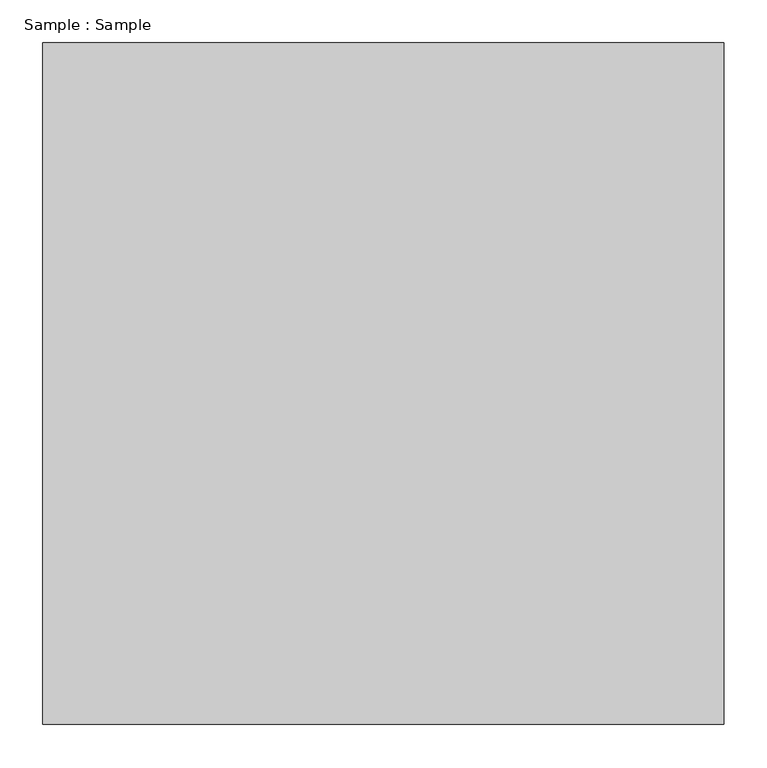
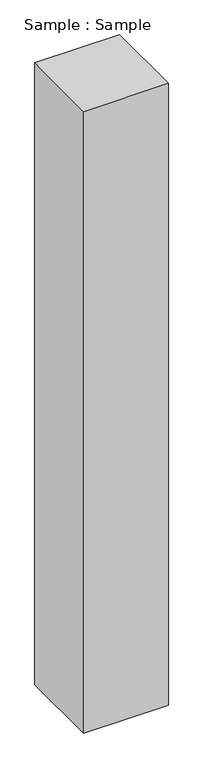
"""IFC4 building model written with IfcOpenShell, lengths in millimetres: proxy geometry, Sample : Sample."""

import ifcopenshell
import ifcopenshell.guid

model = None  # the IFC model being written
_history = None  # IfcOwnerHistory: only IFC2X3 demands one
_inside = {}  # id of a spatial element -> (the spatial element, [elements in it])
_under = {}  # id of a project, library or spatial element -> (it, [spatial elements below it])
_declared = {}  # id of a project -> (the project, [libraries it declares])
_typed = {}  # id of a type object -> (the type object, [elements of that type])
_made_of = {}  # id of a material, layer set ... -> (it, [elements and type objects made of it])


def new_model(schema):
    """Start an empty IFC model of exactly this schema.

    Asked for "IFC4X3", IfcOpenShell would pick the latest addendum, in which some entities
    have other attributes; the version numbers below select the first issue.
    IFC2X3 requires an IfcOwnerHistory on every rooted entity: one is made here for all.
    """
    global model, _history
    if schema == "IFC4X3":
        model = ifcopenshell.file(schema_version=(4, 3, 0, 0))
    else:
        model = ifcopenshell.file(schema=schema)
    _inside.clear()
    _under.clear()
    _declared.clear()
    _typed.clear()
    _made_of.clear()
    _history = None
    if model.schema == "IFC2X3":
        org = make("IfcOrganization", Name="unknown")
        user = make(
            "IfcPersonAndOrganization",
            ThePerson=make("IfcPerson", FamilyName="unknown"),
            TheOrganization=org,
        )
        app = make(
            "IfcApplication",
            ApplicationDeveloper=org,
            Version="unknown",
            ApplicationFullName="unknown",
            ApplicationIdentifier="unknown",
        )
        _history = make(
            "IfcOwnerHistory",
            OwningUser=user,
            OwningApplication=app,
            ChangeAction="ADDED",
            CreationDate=0,
        )
    return model


def make(cls, **values):
    """One entity of the class cls with the attributes given. An attribute that is None is left unset."""
    return model.create_entity(
        cls, **{name: value for name, value in values.items() if value is not None}
    )


def rooted(cls, **values):
    """An entity with a GlobalId (a new one), such as an element, a storey or a relation."""
    return make(cls, GlobalId=ifcopenshell.guid.new(), OwnerHistory=_history, **values)


def si_unit(unit_type, name, prefix=None):
    """IfcSIUnit, for example si_unit("LENGTHUNIT", "METRE", prefix="MILLI")."""
    return make("IfcSIUnit", UnitType=unit_type, Prefix=prefix, Name=name)


def assignment(units):
    """IfcUnitAssignment: the units of a project."""
    return None if units is None else make("IfcUnitAssignment", Units=units)


def point(xyz):
    """IfcCartesianPoint."""
    return None if xyz is None else make("IfcCartesianPoint", Coordinates=xyz)


def direction(xyz):
    """IfcDirection."""
    return None if xyz is None else make("IfcDirection", DirectionRatios=xyz)


def frame(location, z_axis=None, x_axis=None):
    """IfcAxis2Placement3D, a coordinate frame: its origin and axes. An axis left out is left unset."""
    return make(
        "IfcAxis2Placement3D",
        Location=point(location),
        Axis=direction(z_axis),
        RefDirection=direction(x_axis),
    )


def origin():
    """The frame at (0, 0, 0) with its axes left unset."""
    return frame((0.0, 0.0, 0.0))


def origin_with_axes():
    """The frame at (0, 0, 0) with the z axis (0, 0, 1) and the x axis (1, 0, 0) written out."""
    return frame((0.0, 0.0, 0.0), z_axis=(0.0, 0.0, 1.0), x_axis=(1.0, 0.0, 0.0))


def place(relative_to, where):
    """IfcLocalPlacement: puts the frame where relative to a parent placement (None: the world)."""
    return make(
        "IfcLocalPlacement", PlacementRelTo=relative_to, RelativePlacement=where
    )


def context(
    kind, dimensions, precision=None, world=None, true_north=None, identifier=None
):
    """IfcGeometricRepresentationContext, for example the 3D "Model" context."""
    return make(
        "IfcGeometricRepresentationContext",
        ContextIdentifier=identifier,
        ContextType=kind,
        CoordinateSpaceDimension=dimensions,
        Precision=precision,
        WorldCoordinateSystem=world,
        TrueNorth=true_north,
    )


def project(units=None, contexts=None):
    """IfcProject with its units and contexts."""
    return rooted(
        "IfcProject",
        Name="project",
        RepresentationContexts=contexts,
        UnitsInContext=assignment(units),
    )


def spatial(cls, under=None, at=None, **own):
    """A site, building, storey or space (cls), placed at a placement, below another one or the project."""
    s = rooted(cls, ObjectPlacement=at, **own)
    if under is not None:
        _under.setdefault(under.id(), (under, []))[1].append(s)
    return s


def polyline(points):
    """IfcPolyline through the points."""
    return make("IfcPolyline", Points=[point(p) for p in points])


def outline(outer, holes=None, kind="AREA"):
    """IfcArbitraryClosedProfileDef: a profile drawn as a closed curve; with holes, ...WithVoids."""
    if holes is None:
        return make("IfcArbitraryClosedProfileDef", ProfileType=kind, OuterCurve=outer)
    return make(
        "IfcArbitraryProfileDefWithVoids",
        ProfileType=kind,
        OuterCurve=outer,
        InnerCurves=holes,
    )


def extrude(swept, where, along, depth):
    """IfcExtrudedAreaSolid: the profile swept, set in the frame where, extruded along a direction by depth."""
    return make(
        "IfcExtrudedAreaSolid",
        SweptArea=swept,
        Position=where,
        ExtrudedDirection=direction(along),
        Depth=depth,
    )


def shape(context_of_items, identifier, shape_type, items):
    """IfcShapeRepresentation: the items that make up one representation, for example the "Body"."""
    return make(
        "IfcShapeRepresentation",
        ContextOfItems=context_of_items,
        RepresentationIdentifier=identifier,
        RepresentationType=shape_type,
        Items=items,
    )


def source(mapping_origin, context_of_items, identifier, shape_type, items):
    """IfcRepresentationMap: a shape defined once, which mapped items show again and again."""
    return make(
        "IfcRepresentationMap",
        MappingOrigin=mapping_origin,
        MappedRepresentation=shape(context_of_items, identifier, shape_type, items),
    )


def transform(
    local_origin,
    x_axis=None,
    y_axis=None,
    z_axis=None,
    scale=None,
    scale2=None,
    scale3=None,
    uniform=True,
):
    """IfcCartesianTransformationOperator3D, or its non-uniform kind. x_axis, y_axis, z_axis: its Axis1, 2, 3."""
    if uniform:
        return make(
            "IfcCartesianTransformationOperator3D",
            Axis1=direction(x_axis),
            Axis2=direction(y_axis),
            LocalOrigin=point(local_origin),
            Scale=scale,
            Axis3=direction(z_axis),
        )
    return make(
        "IfcCartesianTransformationOperator3DnonUniform",
        Axis1=direction(x_axis),
        Axis2=direction(y_axis),
        LocalOrigin=point(local_origin),
        Scale=scale,
        Axis3=direction(z_axis),
        Scale2=scale2,
        Scale3=scale3,
    )


def mapped(mapping_source, mapping_target):
    """IfcMappedItem: shows the shape of a source again, moved by a transform."""
    return make(
        "IfcMappedItem", MappingSource=mapping_source, MappingTarget=mapping_target
    )


def made_of(thing, what):
    """Note that an element or type object is made of a material, layer set ...; save() writes the relation."""
    if what is not None:
        _made_of.setdefault(what.id(), (what, []))[1].append(thing)
    return thing


def element(
    cls,
    number,
    at=None,
    inside=None,
    cuts=None,
    type_object=None,
    material=None,
    context=None,
    identifier="Body",
    shape_type=None,
    held_by="IfcProductDefinitionShape",
    body=None,
    shapes=None,
    **own,
):
    """One element of the class cls, such as IfcWall. Its Tag is "e" and its number.

    at: its placement. inside: the storey or other place that contains it. cuts: it is an
    opening in that element (IfcRelVoidsElement). A single representation is given by context,
    identifier, shape_type and body (its items); several are given by shapes. held_by: the class
    of the entity that holds the representations. save() writes the other relations.
    """
    e = rooted(cls, Tag="e%d" % number, ObjectPlacement=at, **own)
    if body is not None:
        shapes = [shape(context, identifier, shape_type, body)]
    if shapes is not None:
        e.Representation = make(held_by, Representations=shapes)
    if inside is not None:
        _inside.setdefault(inside.id(), (inside, []))[1].append(e)
    if cuts is not None:
        rooted(
            "IfcRelVoidsElement", RelatingBuildingElement=cuts, RelatedOpeningElement=e
        )
    if type_object is not None:
        _typed.setdefault(type_object.id(), (type_object, []))[1].append(e)
    return made_of(e, material)


def aggregate(whole, parts):
    """IfcRelAggregates: a whole, such as a stair, and the parts it consists of."""
    return rooted("IfcRelAggregates", RelatingObject=whole, RelatedObjects=parts)


def save(model, path):
    """Write the relations noted so far, then the file.

    IfcRelAggregates (storeys below a building ...), IfcRelContainedInSpatialStructure (elements
    in a storey), IfcRelDefinesByType, IfcRelAssociatesMaterial and IfcRelDeclares: one each for
    every whole, place, type object, material and project.
    """
    for whole, parts in _under.values():
        aggregate(whole, parts)
    for where, things in _inside.values():
        rooted(
            "IfcRelContainedInSpatialStructure",
            RelatedElements=things,
            RelatingStructure=where,
        )
    for kind, things in _typed.values():
        rooted("IfcRelDefinesByType", RelatedObjects=things, RelatingType=kind)
    for what, things in _made_of.values():
        rooted("IfcRelAssociatesMaterial", RelatedObjects=things, RelatingMaterial=what)
    for by, libraries in _declared.values():
        rooted("IfcRelDeclares", RelatingContext=by, RelatedDefinitions=libraries)
    model.write(path)


def sample_sample_9ae18fff(model_context):
    return source(origin(), model_context, "Body", "SweptSolid", [
        extrude(outline(polyline([(400.0, 400.0), (400.0, -400.0), (-400.0, -400.0), (-400.0, 400.0), (400.0, 400.0)])), origin_with_axes(), (0.0, 0.0, 1.0), 6206.8965517),
    ])


if __name__ == "__main__":
    model = new_model("IFC4")
    model_context = context("Model", 3, world=origin())
    ifc_project = project(units=[si_unit("LENGTHUNIT", "METRE", prefix="MILLI")], contexts=[model_context])
    site = spatial("IfcSite", under=ifc_project)
    building = spatial("IfcBuilding", under=site)
    placement = place(None, origin())
    sample_sample_shape = sample_sample_9ae18fff(model_context)
    element("IfcBuildingElementProxy", 1, Name="Sample : Sample", ObjectType="Sample : Sample", at=placement, inside=building, context=model_context, shape_type="MappedRepresentation", body=[
        mapped(sample_sample_shape, transform((0.0, 0.0, 0.0), x_axis=(1.0, 0.0, 0.0), y_axis=(0.0, 1.0, 0.0), z_axis=(0.0, 0.0, 1.0))),
    ])
    save(model, "model.ifc")
